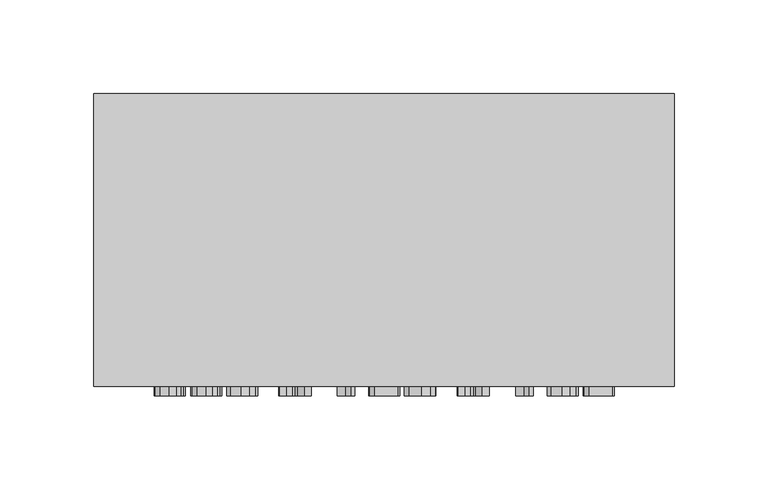
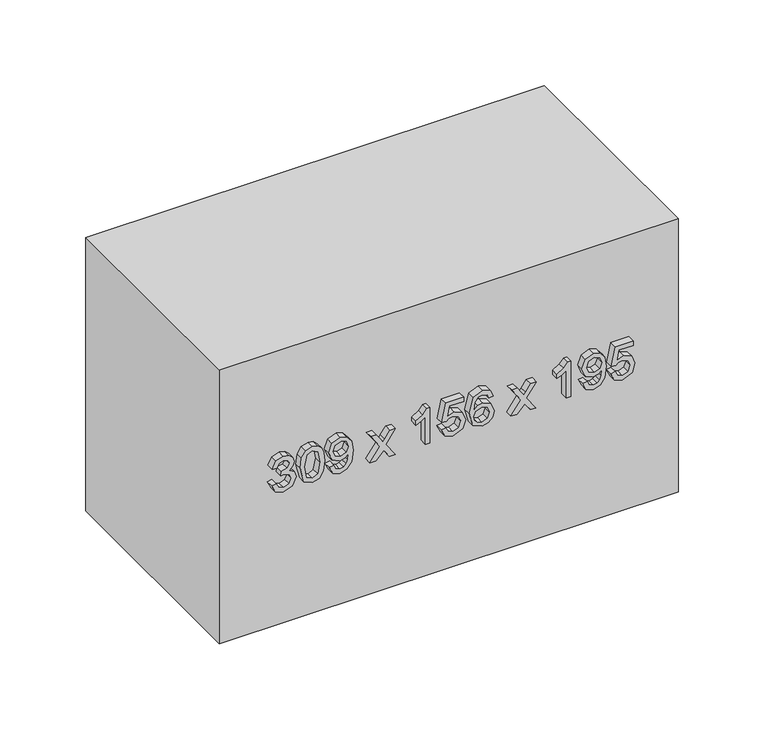
"""IFC4 building model written with IfcOpenShell, lengths in millimetres: furniture geometry."""

from ifc_helpers import new_model, si_unit, frame, origin, origin_with_axes, place, context, project, spatial, polyline, outline, extrude, source, transform, mapped, element, save


def furniture_a1aeeb0f(model_context):
    return source(origin(), model_context, "Body", "SweptSolid", [
        extrude(outline(polyline([(104.1709268, -77.5345978), (99.0757612, -75.0391316), (97.1075925, -69.5331644), (99.4129864, -63.4569801), (105.0293182, -61.0534844), (109.1128083, -62.2552323), (111.2587866, -65.6765349), (113.3373199, -63.1013609), (116.2313249, -62.2307068), (119.3981758, -63.1473461), (121.7526205, -65.7960965), (122.6140775, -69.5822154), (120.8666381, -74.5731478), (115.9431507, -77.1421904), (115.5507432, -74.0029307), (118.4937992, -72.4639577), (119.4748178, -69.4718508), (118.5029962, -66.5165321), (116.0473839, -65.3699665), (113.2760062, -66.9518591), (112.4114835, -71.0169551), (109.2722238, -71.366443), (109.6155804, -69.1652824), (108.3310591, -65.5968271), (105.0845005, -64.1927441), (101.6386724, -65.6090898), (100.2468522, -69.4227998), (101.2585277, -72.6632271), (104.5633343, -74.3953381), (104.1709268, -77.5345978)])), frame((0.0, -161.0, 0.0), z_axis=(0.0, 1.0, 0.0), x_axis=(0.0, 0.0, 1.0)), (0.0, 0.0, 1.0), 5.0),
        extrude(outline(polyline([(109.8547037, -58.3066322), (99.4988255, -55.8050346), (97.1075925, -50.0660755), (98.4840843, -45.4706163), (102.659545, -42.7390925), (109.8547037, -41.8255188), (115.756144, -42.3957359), (119.4717522, -43.8672639), (121.8047371, -46.3995183), (122.6140775, -50.0660755), (121.2467828, -54.6431407), (117.0805192, -57.3838615), (109.8547037, -58.3066322)]), holes=[polyline([(109.860835, -55.1673725), (117.7948234, -53.6467936), (119.4748178, -50.1028637), (117.5679628, -46.3872556), (109.860835, -44.9647785), (102.0709338, -46.4363065), (100.2468522, -50.0660755), (102.0648024, -53.6958445), (109.860835, -55.1673725)])]), frame((0.0, -161.0, 0.0), z_axis=(0.0, 1.0, 0.0), x_axis=(0.0, 0.0, 1.0)), (0.0, 0.0, 1.0), 5.0),
        extrude(outline(polyline([(103.7785194, -38.6862591), (98.8580977, -36.4360476), (97.1075925, -31.6106621), (98.5913833, -26.7638168), (102.910931, -23.6460169), (110.5352854, -22.5975532), (117.5618315, -23.6490826), (121.3019651, -26.7270286), (122.6140775, -31.1998605), (120.3148151, -36.8315207), (114.2447621, -39.0786666), (108.3647816, -36.935754), (106.1329642, -31.6903699), (107.0465378, -28.2476075), (108.8123714, -25.7184188), (105.1703396, -26.1721399), (102.4418815, -27.1991438), (100.8446605, -28.9220579), (100.2468522, -31.4635093), (101.1757543, -34.1367851), (104.1709268, -35.5469994), (103.7785194, -38.6862591)]), holes=[polyline([(114.3183385, -25.7368129), (110.6119274, -27.1562243), (109.2722238, -30.7767962), (110.6119274, -34.5475867), (114.091478, -35.9394069), (117.9756987, -34.4678789), (119.4748178, -30.6909571), (118.0829976, -27.0918449), (114.3183385, -25.7368129)])]), frame((0.0, -161.0, 0.0), z_axis=(0.0, 1.0, 0.0), x_axis=(0.0, 0.0, 1.0)), (0.0, 0.0, 1.0), 5.0),
        extrude(outline(polyline([(97.5, -11.2177368), (97.5, -7.440815), (103.0734122, -1.9655047), (97.5, 1.8788622), (97.5, 5.655784), (106.7706263, -0.7331), (115.9431507, 5.9010387), (115.9431507, 2.1241169), (111.148422, -1.3462366), (109.4439021, -2.5786413), (111.5285667, -4.0011184), (115.9431507, -7.0484076), (115.9431507, -10.8253294), (106.7706263, -4.5100218), (97.5, -11.2177368)])), frame((0.0, -161.0, 0.0), z_axis=(0.0, 1.0, 0.0), x_axis=(0.0, 0.0, 1.0)), (0.0, 0.0, 1.0), 5.0),
        extrude(outline(polyline([(97.5, 29.2002317), (122.6140775, 29.2002317), (122.6140775, 27.1768807), (119.2724827, 24.3840433), (116.3355582, 19.7824526), (113.3679767, 19.7824526), (114.952935, 23.0872592), (117.0713221, 26.060972), (97.5, 26.060972), (97.5, 29.2002317)])), frame((0.0, -161.0, 0.0), z_axis=(0.0, 1.0, 0.0), x_axis=(0.0, 0.0, 1.0)), (0.0, 0.0, 1.0), 5.0),
        extrude(outline(polyline([(104.1709268, 36.6559735), (99.0420387, 39.1054544), (97.1075925, 44.6451441), (100.1180935, 51.1689182), (105.9428918, 53.1370869), (111.7309018, 50.9512547), (113.9811134, 45.5832432), (112.1662289, 40.9908496), (119.0824104, 42.3336189), (119.0824104, 51.9598645), (122.2216701, 51.9598645), (122.2216701, 39.7952332), (109.2722238, 37.0483809), (108.8798164, 40.1876406), (110.2961621, 41.9504085), (110.8418537, 44.7064578), (109.4745589, 48.682649), (105.7466881, 49.9978272), (101.7521027, 48.5937442), (100.2468522, 44.6574069), (101.3290384, 41.3771257), (104.5633343, 39.7952332), (104.1709268, 36.6559735)])), frame((0.0, -161.0, 0.0), z_axis=(0.0, 1.0, 0.0), x_axis=(0.0, 0.0, 1.0)), (0.0, 0.0, 1.0), 5.0),
        extrude(outline(polyline([(115.9431507, 71.972645), (120.8421126, 69.6549884), (122.6140775, 64.6947129), (119.7507293, 58.2383839), (109.2231729, 55.4915316), (99.9280212, 57.965538), (97.1075925, 64.3636191), (98.1713846, 68.4777661), (101.2370679, 71.3288515), (105.5688784, 72.3650525), (111.3507571, 70.1638919), (113.5887059, 64.8296029), (112.7701685, 61.3991033), (110.2655052, 58.6307913), (115.8603772, 59.5229052), (118.7145284, 61.6658178), (119.4748178, 64.4985091), (118.1688368, 67.6439002), (115.5507432, 68.8333853), (115.9431507, 71.972645)]), holes=[polyline([(105.6179294, 58.6307913), (109.115874, 60.1912241), (110.4494462, 63.9896057), (109.115874, 67.8370382), (105.4646452, 69.2257928), (101.6509352, 67.8186441), (100.2468522, 64.1183644), (100.9243682, 61.2887387), (102.8986683, 59.3573583), (105.6179294, 58.6307913)])]), frame((0.0, -161.0, 0.0), z_axis=(0.0, 1.0, 0.0), x_axis=(0.0, 0.0, 1.0)), (0.0, 0.0, 1.0), 5.0),
        extrude(outline(polyline([(97.5, 83.7448689), (97.5, 87.5217907), (103.0734122, 92.997101), (97.5, 96.8414679), (97.5, 100.6183897), (106.7706263, 94.2295057), (115.9431507, 100.8636444), (115.9431507, 97.0867225), (111.148422, 93.6163691), (109.4439021, 92.3839644), (111.5285667, 90.9614873), (115.9431507, 87.9141981), (115.9431507, 84.1372763), (106.7706263, 90.4525839), (97.5, 83.7448689)])), frame((0.0, -161.0, 0.0), z_axis=(0.0, 1.0, 0.0), x_axis=(0.0, 0.0, 1.0)), (0.0, 0.0, 1.0), 5.0),
        extrude(outline(polyline([(97.5, 124.1628374), (122.6140775, 124.1628374), (122.6140775, 122.1394864), (119.2724827, 119.3466489), (116.3355582, 114.7450583), (113.3679767, 114.7450583), (114.952935, 118.0498649), (117.0713221, 121.0235777), (97.5, 121.0235777), (97.5, 124.1628374)])), frame((0.0, -161.0, 0.0), z_axis=(0.0, 1.0, 0.0), x_axis=(0.0, 0.0, 1.0)), (0.0, 0.0, 1.0), 5.0),
        extrude(outline(polyline([(103.7785194, 132.0109866), (98.8580977, 134.2611982), (97.1075925, 139.0865837), (98.5913833, 143.9334289), (102.910931, 147.0512289), (110.5352854, 148.0996925), (117.5618315, 147.0481632), (121.3019651, 143.9702171), (122.6140775, 139.4973852), (120.3148151, 133.865725), (114.2447621, 131.6185792), (108.3647816, 133.7614918), (106.1329642, 139.0068759), (107.0465378, 142.4496382), (108.8123714, 144.978827), (105.1703396, 144.5251058), (102.4418815, 143.4981019), (100.8446605, 141.7751879), (100.2468522, 139.2337365), (101.1757543, 136.5604606), (104.1709268, 135.1502463), (103.7785194, 132.0109866)]), holes=[polyline([(114.3183385, 144.9604329), (110.6119274, 143.5410215), (109.2722238, 139.9204495), (110.6119274, 136.1496591), (114.091478, 134.7578389), (117.9756987, 136.2293668), (119.4748178, 140.0062887), (118.0829976, 143.6054008), (114.3183385, 144.9604329)])]), frame((0.0, -161.0, 0.0), z_axis=(0.0, 1.0, 0.0), x_axis=(0.0, 0.0, 1.0)), (0.0, 0.0, 1.0), 5.0),
        extrude(outline(polyline([(104.1709268, 150.8465448), (99.0420387, 153.2960257), (97.1075925, 158.8357154), (100.1180935, 165.3594895), (105.9428918, 167.3276582), (111.7309018, 165.141826), (113.9811134, 159.7738145), (112.1662289, 155.181421), (119.0824104, 156.5241902), (119.0824104, 166.1504358), (122.2216701, 166.1504358), (122.2216701, 153.9858045), (109.2722238, 151.2389522), (108.8798164, 154.3782119), (110.2961621, 156.1409798), (110.8418537, 158.8970291), (109.4745589, 162.8732203), (105.7466881, 164.1883985), (101.7521027, 162.7843155), (100.2468522, 158.8479782), (101.3290384, 155.567697), (104.5633343, 153.9858045), (104.1709268, 150.8465448)])), frame((0.0, -161.0, 0.0), z_axis=(0.0, 1.0, 0.0), x_axis=(0.0, 0.0, 1.0)), (0.0, 0.0, 1.0), 5.0),
        extrude(outline(polyline([(199.2003264, 0.0), (199.2003264, -156.0), (-109.7996736, -156.0), (-109.7996736, 0.0), (199.2003264, 0.0)])), origin_with_axes(), (0.0, 0.0, 1.0), 195.0),
    ])


if __name__ == "__main__":
    model = new_model("IFC4")
    model_context = context("Model", 3, world=origin())
    ifc_project = project(units=[si_unit("LENGTHUNIT", "METRE", prefix="MILLI")], contexts=[model_context])
    site = spatial("IfcSite", under=ifc_project)
    building = spatial("IfcBuilding", under=site)
    placement = place(None, origin())
    furniture_shape = furniture_a1aeeb0f(model_context)
    element("IfcFurniture", 1, at=placement, inside=building, context=model_context, shape_type="MappedRepresentation", body=[
        mapped(furniture_shape, transform((0.0, 0.0, 0.0), x_axis=(1.0, 0.0, 0.0), y_axis=(0.0, 1.0, 0.0), z_axis=(0.0, 0.0, 1.0))),
    ])
    save(model, "model.ifc")
